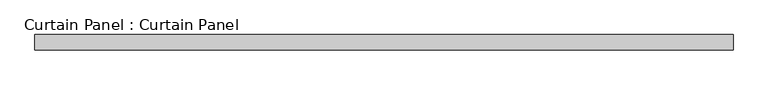
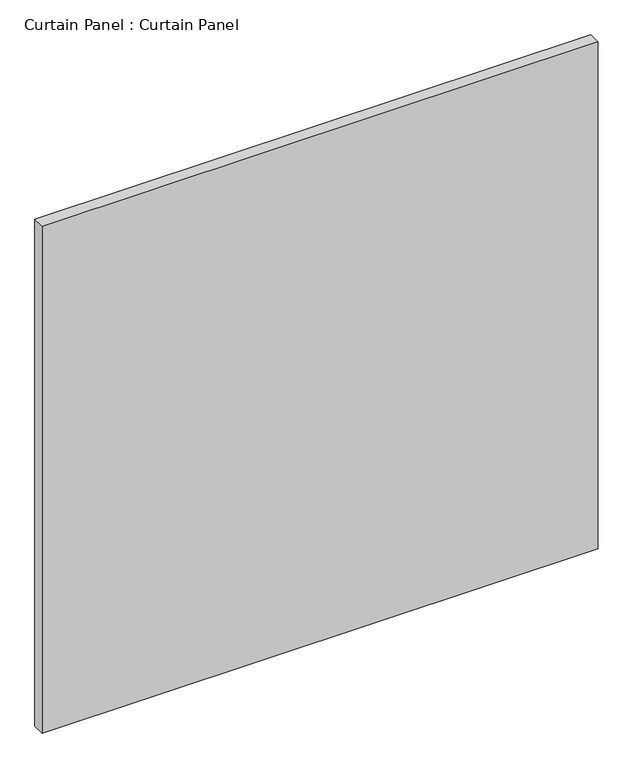
"""IFC4 building model written with IfcOpenShell, lengths in millimetres: plate geometry, Curtain Panel : Curtain Panel."""

from ifc_helpers import new_model, si_unit, frame, origin, place, context, project, spatial, polyline, outline, extrude, source, transform, mapped, element, save


def curtain_panel_curtain_panel_676fd32a(model_context):
    return source(origin(), model_context, "Body", "SweptSolid", [
        extrude(outline(polyline([(-407798.5820997, 7226.1665558), (-408947.7149983, 7226.1665558), (-408947.7149983, 7251.5665558), (-407798.5820997, 7251.5665558), (-407798.5820997, 7226.1665558)])), frame((0.0, 0.0, 2447.9251132), z_axis=(0.0, 0.0, 1.0), x_axis=(1.0, 0.0, 0.0)), (0.0, 0.0, 1.0), 1107.5851068),
    ])


if __name__ == "__main__":
    model = new_model("IFC4")
    model_context = context("Model", 3, world=origin())
    ifc_project = project(units=[si_unit("LENGTHUNIT", "METRE", prefix="MILLI")], contexts=[model_context])
    site = spatial("IfcSite", under=ifc_project)
    building = spatial("IfcBuilding", under=site)
    placement = place(None, origin())
    curtain_panel_curtain_panel_shape = curtain_panel_curtain_panel_676fd32a(model_context)
    element("IfcPlate", 1, ObjectType="Curtain Panel : Curtain Panel", at=placement, inside=building, context=model_context, shape_type="MappedRepresentation", body=[
        mapped(curtain_panel_curtain_panel_shape, transform((0.0, 0.0, 0.0), x_axis=(1.0, 0.0, 0.0), y_axis=(0.0, 1.0, 0.0), z_axis=(0.0, 0.0, 1.0))),
    ])
    save(model, "model.ifc")
